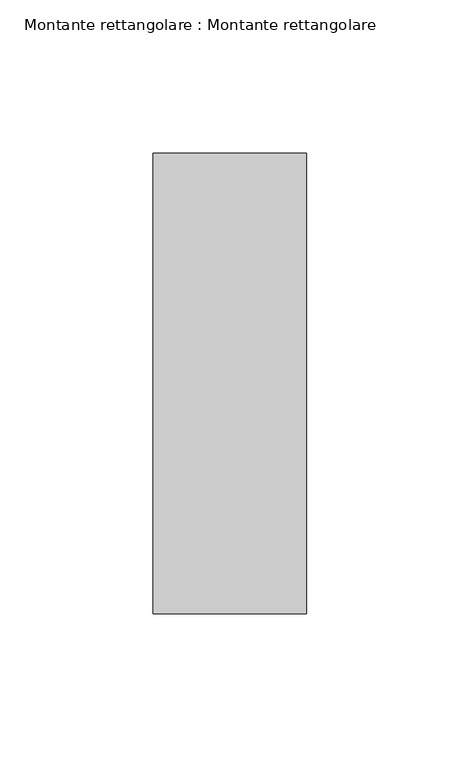
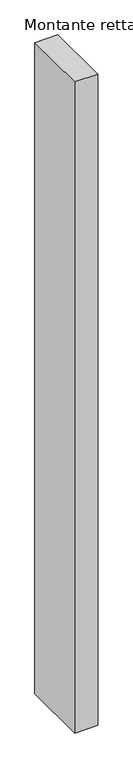
"""IFC4 building model written with IfcOpenShell, lengths in millimetres: member geometry, Montante rettangolare : Montante rettangolare."""

import ifcopenshell
import ifcopenshell.guid

model = None  # the IFC model being written
_history = None  # IfcOwnerHistory: only IFC2X3 demands one
_inside = {}  # id of a spatial element -> (the spatial element, [elements in it])
_under = {}  # id of a project, library or spatial element -> (it, [spatial elements below it])
_declared = {}  # id of a project -> (the project, [libraries it declares])
_typed = {}  # id of a type object -> (the type object, [elements of that type])
_made_of = {}  # id of a material, layer set ... -> (it, [elements and type objects made of it])


def new_model(schema):
    """Start an empty IFC model of exactly this schema.

    Asked for "IFC4X3", IfcOpenShell would pick the latest addendum, in which some entities
    have other attributes; the version numbers below select the first issue.
    IFC2X3 requires an IfcOwnerHistory on every rooted entity: one is made here for all.
    """
    global model, _history
    if schema == "IFC4X3":
        model = ifcopenshell.file(schema_version=(4, 3, 0, 0))
    else:
        model = ifcopenshell.file(schema=schema)
    _inside.clear()
    _under.clear()
    _declared.clear()
    _typed.clear()
    _made_of.clear()
    _history = None
    if model.schema == "IFC2X3":
        org = make("IfcOrganization", Name="unknown")
        user = make(
            "IfcPersonAndOrganization",
            ThePerson=make("IfcPerson", FamilyName="unknown"),
            TheOrganization=org,
        )
        app = make(
            "IfcApplication",
            ApplicationDeveloper=org,
            Version="unknown",
            ApplicationFullName="unknown",
            ApplicationIdentifier="unknown",
        )
        _history = make(
            "IfcOwnerHistory",
            OwningUser=user,
            OwningApplication=app,
            ChangeAction="ADDED",
            CreationDate=0,
        )
    return model


def make(cls, **values):
    """One entity of the class cls with the attributes given. An attribute that is None is left unset."""
    return model.create_entity(
        cls, **{name: value for name, value in values.items() if value is not None}
    )


def rooted(cls, **values):
    """An entity with a GlobalId (a new one), such as an element, a storey or a relation."""
    return make(cls, GlobalId=ifcopenshell.guid.new(), OwnerHistory=_history, **values)


def si_unit(unit_type, name, prefix=None):
    """IfcSIUnit, for example si_unit("LENGTHUNIT", "METRE", prefix="MILLI")."""
    return make("IfcSIUnit", UnitType=unit_type, Prefix=prefix, Name=name)


def assignment(units):
    """IfcUnitAssignment: the units of a project."""
    return None if units is None else make("IfcUnitAssignment", Units=units)


def point(xyz):
    """IfcCartesianPoint."""
    return None if xyz is None else make("IfcCartesianPoint", Coordinates=xyz)


def direction(xyz):
    """IfcDirection."""
    return None if xyz is None else make("IfcDirection", DirectionRatios=xyz)


def frame(location, z_axis=None, x_axis=None):
    """IfcAxis2Placement3D, a coordinate frame: its origin and axes. An axis left out is left unset."""
    return make(
        "IfcAxis2Placement3D",
        Location=point(location),
        Axis=direction(z_axis),
        RefDirection=direction(x_axis),
    )


def origin():
    """The frame at (0, 0, 0) with its axes left unset."""
    return frame((0.0, 0.0, 0.0))


def place(relative_to, where):
    """IfcLocalPlacement: puts the frame where relative to a parent placement (None: the world)."""
    return make(
        "IfcLocalPlacement", PlacementRelTo=relative_to, RelativePlacement=where
    )


def context(
    kind, dimensions, precision=None, world=None, true_north=None, identifier=None
):
    """IfcGeometricRepresentationContext, for example the 3D "Model" context."""
    return make(
        "IfcGeometricRepresentationContext",
        ContextIdentifier=identifier,
        ContextType=kind,
        CoordinateSpaceDimension=dimensions,
        Precision=precision,
        WorldCoordinateSystem=world,
        TrueNorth=true_north,
    )


def project(units=None, contexts=None):
    """IfcProject with its units and contexts."""
    return rooted(
        "IfcProject",
        Name="project",
        RepresentationContexts=contexts,
        UnitsInContext=assignment(units),
    )


def spatial(cls, under=None, at=None, **own):
    """A site, building, storey or space (cls), placed at a placement, below another one or the project."""
    s = rooted(cls, ObjectPlacement=at, **own)
    if under is not None:
        _under.setdefault(under.id(), (under, []))[1].append(s)
    return s


def polyline(points):
    """IfcPolyline through the points."""
    return make("IfcPolyline", Points=[point(p) for p in points])


def outline(outer, holes=None, kind="AREA"):
    """IfcArbitraryClosedProfileDef: a profile drawn as a closed curve; with holes, ...WithVoids."""
    if holes is None:
        return make("IfcArbitraryClosedProfileDef", ProfileType=kind, OuterCurve=outer)
    return make(
        "IfcArbitraryProfileDefWithVoids",
        ProfileType=kind,
        OuterCurve=outer,
        InnerCurves=holes,
    )


def extrude(swept, where, along, depth):
    """IfcExtrudedAreaSolid: the profile swept, set in the frame where, extruded along a direction by depth."""
    return make(
        "IfcExtrudedAreaSolid",
        SweptArea=swept,
        Position=where,
        ExtrudedDirection=direction(along),
        Depth=depth,
    )


def shape(context_of_items, identifier, shape_type, items):
    """IfcShapeRepresentation: the items that make up one representation, for example the "Body"."""
    return make(
        "IfcShapeRepresentation",
        ContextOfItems=context_of_items,
        RepresentationIdentifier=identifier,
        RepresentationType=shape_type,
        Items=items,
    )


def source(mapping_origin, context_of_items, identifier, shape_type, items):
    """IfcRepresentationMap: a shape defined once, which mapped items show again and again."""
    return make(
        "IfcRepresentationMap",
        MappingOrigin=mapping_origin,
        MappedRepresentation=shape(context_of_items, identifier, shape_type, items),
    )


def transform(
    local_origin,
    x_axis=None,
    y_axis=None,
    z_axis=None,
    scale=None,
    scale2=None,
    scale3=None,
    uniform=True,
):
    """IfcCartesianTransformationOperator3D, or its non-uniform kind. x_axis, y_axis, z_axis: its Axis1, 2, 3."""
    if uniform:
        return make(
            "IfcCartesianTransformationOperator3D",
            Axis1=direction(x_axis),
            Axis2=direction(y_axis),
            LocalOrigin=point(local_origin),
            Scale=scale,
            Axis3=direction(z_axis),
        )
    return make(
        "IfcCartesianTransformationOperator3DnonUniform",
        Axis1=direction(x_axis),
        Axis2=direction(y_axis),
        LocalOrigin=point(local_origin),
        Scale=scale,
        Axis3=direction(z_axis),
        Scale2=scale2,
        Scale3=scale3,
    )


def mapped(mapping_source, mapping_target):
    """IfcMappedItem: shows the shape of a source again, moved by a transform."""
    return make(
        "IfcMappedItem", MappingSource=mapping_source, MappingTarget=mapping_target
    )


def made_of(thing, what):
    """Note that an element or type object is made of a material, layer set ...; save() writes the relation."""
    if what is not None:
        _made_of.setdefault(what.id(), (what, []))[1].append(thing)
    return thing


def element(
    cls,
    number,
    at=None,
    inside=None,
    cuts=None,
    type_object=None,
    material=None,
    context=None,
    identifier="Body",
    shape_type=None,
    held_by="IfcProductDefinitionShape",
    body=None,
    shapes=None,
    **own,
):
    """One element of the class cls, such as IfcWall. Its Tag is "e" and its number.

    at: its placement. inside: the storey or other place that contains it. cuts: it is an
    opening in that element (IfcRelVoidsElement). A single representation is given by context,
    identifier, shape_type and body (its items); several are given by shapes. held_by: the class
    of the entity that holds the representations. save() writes the other relations.
    """
    e = rooted(cls, Tag="e%d" % number, ObjectPlacement=at, **own)
    if body is not None:
        shapes = [shape(context, identifier, shape_type, body)]
    if shapes is not None:
        e.Representation = make(held_by, Representations=shapes)
    if inside is not None:
        _inside.setdefault(inside.id(), (inside, []))[1].append(e)
    if cuts is not None:
        rooted(
            "IfcRelVoidsElement", RelatingBuildingElement=cuts, RelatedOpeningElement=e
        )
    if type_object is not None:
        _typed.setdefault(type_object.id(), (type_object, []))[1].append(e)
    return made_of(e, material)


def aggregate(whole, parts):
    """IfcRelAggregates: a whole, such as a stair, and the parts it consists of."""
    return rooted("IfcRelAggregates", RelatingObject=whole, RelatedObjects=parts)


def save(model, path):
    """Write the relations noted so far, then the file.

    IfcRelAggregates (storeys below a building ...), IfcRelContainedInSpatialStructure (elements
    in a storey), IfcRelDefinesByType, IfcRelAssociatesMaterial and IfcRelDeclares: one each for
    every whole, place, type object, material and project.
    """
    for whole, parts in _under.values():
        aggregate(whole, parts)
    for where, things in _inside.values():
        rooted(
            "IfcRelContainedInSpatialStructure",
            RelatedElements=things,
            RelatingStructure=where,
        )
    for kind, things in _typed.values():
        rooted("IfcRelDefinesByType", RelatedObjects=things, RelatingType=kind)
    for what, things in _made_of.values():
        rooted("IfcRelAssociatesMaterial", RelatedObjects=things, RelatingMaterial=what)
    for by, libraries in _declared.values():
        rooted("IfcRelDeclares", RelatingContext=by, RelatedDefinitions=libraries)
    model.write(path)


def montante_rettangolare_montante_rettangolare_461a195c(model_context):
    return source(origin(), model_context, "Body", "SweptSolid", [
        extrude(outline(polyline([(0.0, 75.0), (0.0, -75.0), (-50.0, -75.0), (-50.0, 75.0), (0.0, 75.0)])), frame((0.0, 0.0, -1500.0), z_axis=(0.0, 0.0, 1.0), x_axis=(1.0, 0.0, 0.0)), (0.0, 0.0, 1.0), 1500.0),
    ])


if __name__ == "__main__":
    model = new_model("IFC4")
    model_context = context("Model", 3, world=origin())
    ifc_project = project(units=[si_unit("LENGTHUNIT", "METRE", prefix="MILLI")], contexts=[model_context])
    site = spatial("IfcSite", under=ifc_project)
    building = spatial("IfcBuilding", under=site)
    placement = place(None, origin())
    montante_rettangolare_montante_rettangolare_shape = montante_rettangolare_montante_rettangolare_461a195c(model_context)
    element("IfcMember", 1, ObjectType="Montante rettangolare : Montante rettangolare", at=placement, inside=building, context=model_context, shape_type="MappedRepresentation", body=[
        mapped(montante_rettangolare_montante_rettangolare_shape, transform((0.0, 0.0, 0.0), x_axis=(1.0, 0.0, 0.0), y_axis=(0.0, 1.0, 0.0), z_axis=(0.0, 0.0, 1.0))),
    ])
    save(model, "model.ifc")
